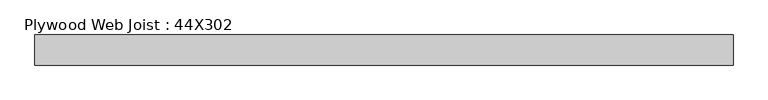
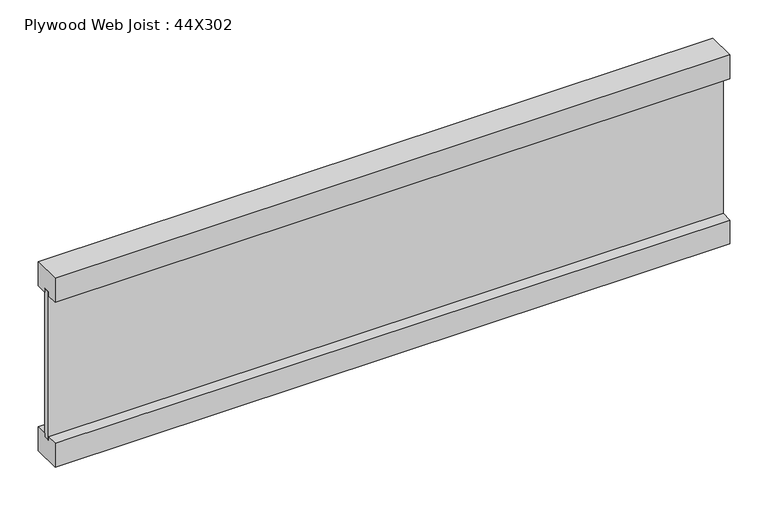
"""IFC4 building model written with IfcOpenShell, lengths in millimetres: beam geometry, Plywood Web Joist : 44X302."""

from ifc_helpers import new_model, si_unit, frame, origin, place, context, project, spatial, polyline, outline, extrude, source, transform, mapped, element, save


def plywood_web_joist_44x302_17ee6f7a(model_context):
    return source(origin(), model_context, "Body", "SweptSolid", [
        extrude(outline(polyline([(-22.0, 151.0), (22.0, 151.0), (22.0, 112.9), (4.7625, 112.9), (4.7625, 119.25), (-4.7625, 119.25), (-4.7625, 112.9), (-22.0, 112.9), (-22.0, 151.0)])), frame((-510.0, 0.0, 0.0), z_axis=(1.0, 0.0, 0.0), x_axis=(0.0, 1.0, 0.0)), (0.0, 0.0, 1.0), 1020.0),
        extrude(outline(polyline([(22.0, -112.9), (22.0, -151.0), (-22.0, -151.0), (-22.0, -112.9), (-4.7625, -112.9), (-4.7625, -118.5160374), (4.7625, -118.5160374), (4.7625, -112.9), (22.0, -112.9)])), frame((-510.0, 0.0, 0.0), z_axis=(1.0, 0.0, 0.0), x_axis=(0.0, 1.0, 0.0)), (0.0, 0.0, 1.0), 1020.0),
        extrude(outline(polyline([(510.0, 4.7625), (510.0, -4.7625), (-510.0, -4.7625), (-510.0, 4.7625), (510.0, 4.7625)])), frame((0.0, 0.0, -118.5160374), z_axis=(0.0, 0.0, 1.0), x_axis=(1.0, 0.0, 0.0)), (0.0, 0.0, 1.0), 237.7660374),
    ])


if __name__ == "__main__":
    model = new_model("IFC4")
    model_context = context("Model", 3, world=origin())
    ifc_project = project(units=[si_unit("LENGTHUNIT", "METRE", prefix="MILLI")], contexts=[model_context])
    site = spatial("IfcSite", under=ifc_project)
    building = spatial("IfcBuilding", under=site)
    placement = place(None, origin())
    plywood_web_joist_44x302_shape = plywood_web_joist_44x302_17ee6f7a(model_context)
    element("IfcBeam", 1, ObjectType="Plywood Web Joist : 44X302", at=placement, inside=building, context=model_context, shape_type="MappedRepresentation", body=[
        mapped(plywood_web_joist_44x302_shape, transform((0.0, 0.0, 0.0), x_axis=(1.0, 0.0, 0.0), y_axis=(0.0, 1.0, 0.0), z_axis=(0.0, 0.0, 1.0))),
    ])
    save(model, "model.ifc")
